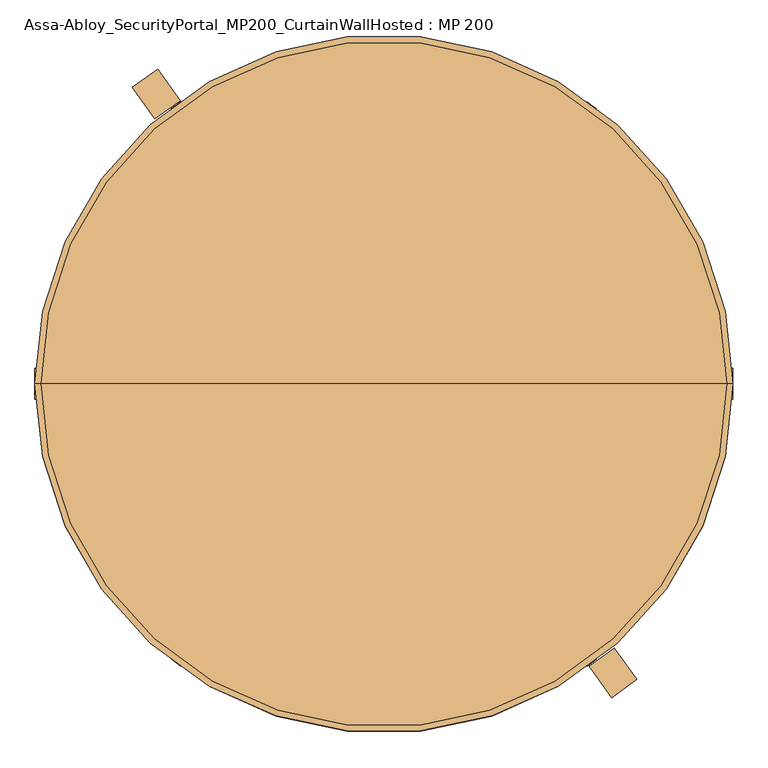
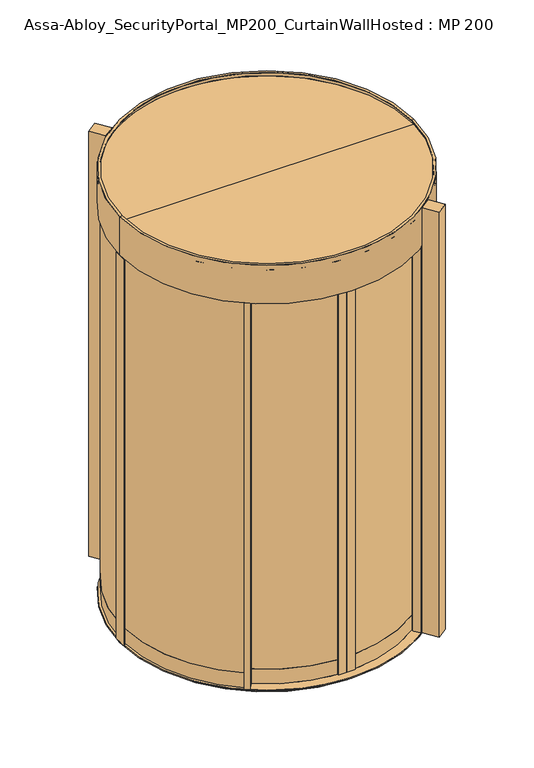
"""IFC4 building model written with IfcOpenShell, lengths in millimetres: door geometry, Assa-Abloy_SecurityPortal_MP200_CurtainWallHosted : MP 200."""

from ifc_helpers import new_model, si_unit, point, frame, origin, origin_with_axes, origin_2d, place, context, project, spatial, polyline, circle_curve, trimmed, segment, composite_curve, outline, extrude, source, transform, mapped, element, save
from ifc_brep_helpers import plane_surface, cylinder_surface, revolved_surface, advanced_brep


def assa_abloy_securityportal_mp200_curtainwallhosted_mp_200_ee6e5591(model_context):
    return source(origin(), model_context, "Body", "SolidModel", [
        extrude(outline(polyline([(587.7852523, -809.0169944), (529.0067271, -728.1152949), (593.7280866, -681.0924748), (652.5066118, -761.9941742), (587.7852523, -809.0169944)])), origin_with_axes(), (0.0, 0.0, 1.0), 2750.0),
        extrude(outline(polyline([(-583.8246464, 811.8797831), (-525.4421818, 730.6918048), (-590.3925644, 683.9858331), (-648.7750291, 765.1738114), (-583.8246464, 811.8797831)])), origin_with_axes(), (0.0, 0.0, 1.0), 2750.0),
        extrude(outline(polyline([(528.5181669, 683.5840473), (501.2059649, 645.6030803), (476.8495714, 663.1178197), (478.6010453, 665.553459), (490.7792421, 656.7960893), (504.7910336, 676.2812041), (492.6128369, 685.0385738), (494.3643108, 687.4742132), (508.9781469, 676.9653695), (518.7756095, 690.5899431), (528.5181669, 683.5840473)])), origin_with_axes(), (0.0, 0.0, 1.0), 2547.0),
        extrude(outline(polyline([(0.0, 816.55), (0.0, 826.4594958), (-3.0, 827.8584187), (-3.0, 829.2415813), (3.0, 832.0394272), (3.0, 837.651077), (0.0, 839.05), (0.0154349, 846.55), (28.0, 846.55), (28.0, 843.55), (13.0, 843.55), (13.0, 819.55), (28.0, 819.55), (28.0, 816.55), (0.0, 816.55)])), origin_with_axes(), (0.0, 0.0, 1.0), 2547.0),
        extrude(outline(composite_curve([segment(trimmed(circle_curve(origin_2d(), 831.85), [point((497.7537656, 666.4950197))], [point((13.0, 831.748413))], True, "CARTESIAN"), True, "CONTINUOUS"), segment(polyline([(13.0, 831.748413), (13.0, 842.0485471)]), True, "CONTINUOUS"), segment(trimmed(circle_curve(origin_2d(), 842.1488916), [point((13.0, 842.0485471))], [point((503.7674782, 674.8578247))], False, "CARTESIAN"), True, "CONTINUOUS"), segment(polyline([(503.7674782, 674.8578247), (497.7537656, 666.4950197)]), True, "CONTINUOUS")], self_intersect=False)), origin_with_axes(), (0.0, 0.0, 1.0), 95.0),
        extrude(outline(composite_curve([segment(trimmed(circle_curve(origin_2d(), 831.85), [point((497.7537656, 666.4950197))], [point((13.0, 831.748413))], True, "CARTESIAN"), True, "CONTINUOUS"), segment(polyline([(13.0, 831.748413), (13.0, 842.0485471)]), True, "CONTINUOUS"), segment(trimmed(circle_curve(origin_2d(), 842.1488916), [point((13.0, 842.0485471))], [point((503.7674782, 674.8578247))], False, "CARTESIAN"), True, "CONTINUOUS"), segment(polyline([(503.7674782, 674.8578247), (497.7537656, 666.4950197)]), True, "CONTINUOUS")], self_intersect=False)), frame((0.0, 0.0, 95.0), z_axis=(0.0, 0.0, 1.0), x_axis=(1.0, 0.0, 0.0)), (0.0, 0.0, 1.0), 2452.0),
        extrude(outline(polyline([(-528.5181669, 683.5840473), (-518.7756095, 690.5899431), (-508.9781469, 676.9653695), (-494.3643108, 687.4742132), (-492.6128369, 685.0385738), (-504.7910336, 676.2812041), (-490.7792421, 656.7960893), (-478.6010453, 665.553459), (-476.8495714, 663.1178197), (-501.2059649, 645.6030803), (-528.5181669, 683.5840473)])), origin_with_axes(), (0.0, 0.0, 1.0), 2547.0),
        extrude(outline(polyline([(0.0, 816.55), (-28.0, 816.55), (-28.0, 819.55), (-13.0, 819.55), (-13.0, 843.55), (-28.0, 843.55), (-28.0, 846.55), (-0.0154349, 846.55), (0.0, 839.05), (-3.0, 837.651077), (-3.0, 832.0394272), (3.0, 829.2415813), (3.0, 827.8584187), (0.0, 826.4594958), (0.0, 816.55)])), origin_with_axes(), (0.0, 0.0, 1.0), 2547.0),
        extrude(outline(composite_curve([segment(polyline([(-497.7537656, 666.4950197), (-503.7674782, 674.8578247)]), True, "CONTINUOUS"), segment(trimmed(circle_curve(origin_2d(), 842.1488916), [point((-503.7674782, 674.8578247))], [point((-13.0, 842.0485471))], False, "CARTESIAN"), True, "CONTINUOUS"), segment(polyline([(-13.0, 842.0485471), (-13.0, 831.748413)]), True, "CONTINUOUS"), segment(trimmed(circle_curve(origin_2d(), 831.85), [point((-13.0, 831.748413))], [point((-497.7537656, 666.4950197))], True, "CARTESIAN"), True, "CONTINUOUS")], self_intersect=False)), origin_with_axes(), (0.0, 0.0, 1.0), 95.0),
        extrude(outline(composite_curve([segment(polyline([(-497.7537656, 666.4950197), (-503.7674782, 674.8578247)]), True, "CONTINUOUS"), segment(trimmed(circle_curve(origin_2d(), 842.1488916), [point((-503.7674782, 674.8578247))], [point((-13.0, 842.0485471))], False, "CARTESIAN"), True, "CONTINUOUS"), segment(polyline([(-13.0, 842.0485471), (-13.0, 831.748413)]), True, "CONTINUOUS"), segment(trimmed(circle_curve(origin_2d(), 831.85), [point((-13.0, 831.748413))], [point((-497.7537656, 666.4950197))], True, "CARTESIAN"), True, "CONTINUOUS")], self_intersect=False)), frame((0.0, 0.0, 95.0), z_axis=(0.0, 0.0, 1.0), x_axis=(1.0, 0.0, 0.0)), (0.0, 0.0, 1.0), 2452.0),
        extrude(outline(polyline([(52.0000004, -845.5), (0.0, -845.5), (0.0, -835.5905042), (-3.0, -834.1915813), (-3.0, -832.8084187), (3.0, -830.0105728), (3.0, -824.398923), (0.0, -823.0), (0.0, -815.5), (52.0000004, -815.5), (52.0000004, -821.5), (36.0000004, -821.5), (36.0000004, -842.5), (52.0000004, -842.5), (52.0000004, -845.5)])), origin_with_axes(), (0.0, 0.0, 1.0), 2547.0),
        extrude(outline(polyline([(519.574717, -687.6414847), (515.3860402, -681.8465417), (509.4675597, -684.0112903), (506.1412656, -679.4094348), (496.2537657, -686.5562765), (494.4963456, -684.1249241), (506.6531077, -675.3378236), (494.3511671, -658.3183567), (482.1944049, -667.1054571), (478.6795647, -662.2427523), (503.1551792, -644.55139), (531.4913116, -683.7538122), (519.574717, -687.6414847)])), origin_with_axes(), (0.0, 0.0, 1.0), 2547.0),
        extrude(outline(composite_curve([segment(trimmed(circle_curve(origin_2d(), 830.5), [point((36.0000004, -829.7193803))], [point((498.5898647, -664.1825026))], True, "CARTESIAN"), True, "CONTINUOUS"), segment(polyline([(498.5898647, -664.1825026), (504.453894, -672.2952594)]), True, "CONTINUOUS"), segment(trimmed(circle_curve(origin_2d(), 840.5085645), [point((504.453894, -672.2952594))], [point((36.0000004, -839.7372488))], False, "CARTESIAN"), True, "CONTINUOUS"), segment(polyline([(36.0000004, -839.7372488), (36.0000004, -829.7193803)]), True, "CONTINUOUS")], self_intersect=False)), origin_with_axes(), (0.0, 0.0, 1.0), 95.0),
        extrude(outline(composite_curve([segment(trimmed(circle_curve(origin_2d(), 830.5), [point((36.0000004, -829.7193803))], [point((498.5898647, -664.1825026))], True, "CARTESIAN"), True, "CONTINUOUS"), segment(polyline([(498.5898647, -664.1825026), (504.453894, -672.2952594)]), True, "CONTINUOUS"), segment(trimmed(circle_curve(origin_2d(), 840.5085645), [point((504.453894, -672.2952594))], [point((36.0000004, -839.7372488))], False, "CARTESIAN"), True, "CONTINUOUS"), segment(polyline([(36.0000004, -839.7372488), (36.0000004, -829.7193803)]), True, "CONTINUOUS")], self_intersect=False)), frame((0.0, 0.0, 95.0), z_axis=(0.0, 0.0, 1.0), x_axis=(1.0, 0.0, 0.0)), (0.0, 0.0, 1.0), 2452.0),
        extrude(outline(polyline([(-52.0000004, -845.5), (-52.0000004, -842.5), (-36.0000004, -842.5), (-36.0000004, -821.5), (-52.0000004, -821.5), (-52.0000004, -815.5), (0.0, -815.5), (0.0, -823.0), (-3.0, -824.398923), (-3.0, -830.0105728), (3.0, -832.8084187), (3.0, -834.1915813), (0.0, -835.5905042), (0.0, -845.5), (-52.0000004, -845.5)])), origin_with_axes(), (0.0, 0.0, 1.0), 2547.0),
        extrude(outline(polyline([(-517.1712348, -689.4509496), (-529.1013274, -685.6048974), (-500.9022095, -646.3038025), (-476.3649899, -663.9096212), (-479.8628346, -668.7845655), (-492.0501954, -660.0399536), (-504.2926521, -677.1022586), (-492.1052913, -685.8468706), (-493.8542137, -688.2843427), (-503.7666005, -681.1720584), (-507.0768108, -685.7854967), (-513.0028117, -683.6414206), (-517.1712348, -689.4509496)])), origin_with_axes(), (0.0, 0.0, 1.0), 2547.0),
        extrude(outline(composite_curve([segment(polyline([(-36.0000004, -829.7193803), (-36.0000004, -839.7120971)]), True, "CONTINUOUS"), segment(trimmed(circle_curve(origin_2d(), 840.4834359), [point((-36.0000004, -839.7120971))], [point((-502.0894207, -674.0316162))], False, "CARTESIAN"), True, "CONTINUOUS"), segment(polyline([(-502.0894207, -674.0316162), (-496.2683976, -665.9188596)]), True, "CONTINUOUS"), segment(trimmed(circle_curve(origin_2d(), 830.5), [point((-496.2683976, -665.9188596))], [point((-36.0000004, -829.7193803))], True, "CARTESIAN"), True, "CONTINUOUS")], self_intersect=False)), origin_with_axes(), (0.0, 0.0, 1.0), 95.0),
        extrude(outline(composite_curve([segment(polyline([(-36.0000004, -829.7193803), (-36.0000004, -839.7120971)]), True, "CONTINUOUS"), segment(trimmed(circle_curve(origin_2d(), 840.4834359), [point((-36.0000004, -839.7120971))], [point((-502.0894207, -674.0316162))], False, "CARTESIAN"), True, "CONTINUOUS"), segment(polyline([(-502.0894207, -674.0316162), (-496.2683976, -665.9188596)]), True, "CONTINUOUS"), segment(trimmed(circle_curve(origin_2d(), 830.5), [point((-496.2683976, -665.9188596))], [point((-36.0000004, -829.7193803))], True, "CARTESIAN"), True, "CONTINUOUS")], self_intersect=False)), frame((0.0, 0.0, 95.0), z_axis=(0.0, 0.0, 1.0), x_axis=(1.0, 0.0, 0.0)), (0.0, 0.0, 1.0), 2452.0),
        extrude(outline(polyline([(-524.0579552, -728.554429), (-547.4074128, -710.5664329), (-543.7457122, -705.8133341), (-531.8629651, -714.9675856), (-519.047013, -698.3317396), (-530.9297601, -689.1774881), (-529.0989098, -686.8009387), (-520.0087487, -693.8038329), (-516.5418051, -689.3035399), (-509.8115964, -691.7097246), (-505.6037219, -686.2476606), (-494.5378553, -690.2356345), (-524.0579552, -728.554429)])), origin_with_axes(), (0.0, 0.0, 1.0), 2500.0),
        extrude(outline(polyline([(-546.166091, 707.7830819), (-547.917565, 710.2187212), (-523.3987955, 727.8502256), (-495.9590371, 689.6918758), (-510.3340805, 679.3547485), (-511.6768772, 681.222072), (-499.7374732, 689.8077253), (-506.7433689, 699.5502827), (-528.826499, 683.6702523), (-532.1542995, 688.2979671), (-519.9761028, 697.0553368), (-533.9878943, 716.5404516), (-546.166091, 707.7830819)])), origin_with_axes(), (0.0, 0.0, 1.0), 2500.0),
        extrude(outline(polyline([(-862.0, 40.0), (-862.0, -40.0), (-869.0, -40.0), (-869.0, -23.6246718), (-893.0, -23.6246718), (-893.0, -40.0), (-900.0, -40.0), (-900.0, 40.0), (-893.0, 40.0), (-893.0, 23.6246718), (-869.0, 23.6246718), (-869.0, 40.0), (-862.0, 40.0)])), origin_with_axes(), (0.0, 0.0, 1.0), 2500.0),
        extrude(outline(composite_curve([segment(trimmed(circle_curve(origin_2d(), 873.4), [point((-522.1757936, 700.1142768))], [point((-873.0804286, 23.6246718))], True, "CARTESIAN"), True, "CONTINUOUS"), segment(polyline([(-873.0804286, 23.6246718), (-883.3841562, 23.6246718)]), True, "CONTINUOUS"), segment(trimmed(circle_curve(origin_2d(), 883.7000014), [point((-883.3841562, 23.6246718))], [point((-528.1900886, 708.4778916))], False, "CARTESIAN"), True, "CONTINUOUS"), segment(polyline([(-528.1900886, 708.4778916), (-522.1757936, 700.1142768)]), True, "CONTINUOUS")], self_intersect=False)), frame((0.0, 0.0, 95.0), z_axis=(0.0, 0.0, 1.0), x_axis=(1.0, 0.0, 0.0)), (0.0, 0.0, 1.0), 2405.0),
        extrude(outline(composite_curve([segment(polyline([(-521.0601907, -700.9449605), (-527.3470273, -709.1056375)]), True, "CONTINUOUS"), segment(trimmed(circle_curve(origin_2d(), 883.7000014), [point((-527.3470273, -709.1056375))], [point((-883.3841561, -23.6246718))], False, "CARTESIAN"), True, "CONTINUOUS"), segment(polyline([(-883.3841561, -23.6246718), (-873.0804286, -23.6246718)]), True, "CONTINUOUS"), segment(trimmed(circle_curve(origin_2d(), 873.4), [point((-873.0804286, -23.6246718))], [point((-521.0601907, -700.9449605))], True, "CARTESIAN"), True, "CONTINUOUS")], self_intersect=False)), frame((0.0, 0.0, 95.0), z_axis=(0.0, 0.0, 1.0), x_axis=(1.0, 0.0, 0.0)), (0.0, 0.0, 1.0), 2405.0),
        extrude(outline(composite_curve([segment(trimmed(circle_curve(origin_2d(), 873.4), [point((-522.1757936, 700.1142768))], [point((-873.0804286, 23.6246718))], True, "CARTESIAN"), True, "CONTINUOUS"), segment(polyline([(-873.0804286, 23.6246718), (-883.3841562, 23.6246718)]), True, "CONTINUOUS"), segment(trimmed(circle_curve(origin_2d(), 883.7000014), [point((-883.3841562, 23.6246718))], [point((-528.1900886, 708.4778916))], False, "CARTESIAN"), True, "CONTINUOUS"), segment(polyline([(-528.1900886, 708.4778916), (-522.1757936, 700.1142768)]), True, "CONTINUOUS")], self_intersect=False)), origin_with_axes(), (0.0, 0.0, 1.0), 95.0),
        extrude(outline(composite_curve([segment(polyline([(-521.0601907, -700.9449605), (-527.3470286, -709.1056392)]), True, "CONTINUOUS"), segment(trimmed(circle_curve(origin_2d(), 883.7000034), [point((-527.3470286, -709.1056392))], [point((-883.3841582, -23.6246718))], False, "CARTESIAN"), True, "CONTINUOUS"), segment(polyline([(-883.3841582, -23.6246718), (-873.0804286, -23.6246718)]), True, "CONTINUOUS"), segment(trimmed(circle_curve(origin_2d(), 873.4), [point((-873.0804286, -23.6246718))], [point((-521.0601907, -700.9449605))], True, "CARTESIAN"), True, "CONTINUOUS")], self_intersect=False)), origin_with_axes(), (0.0, 0.0, 1.0), 95.0),
        extrude(outline(polyline([(524.0579552, -728.554429), (494.5378553, -690.2356345), (505.6037219, -686.2476606), (509.8115964, -691.7097246), (516.5418051, -689.3035399), (520.0087487, -693.8038329), (529.0989098, -686.8009387), (530.9297601, -689.1774881), (519.047013, -698.3317396), (531.8629651, -714.9675856), (543.7457122, -705.8133341), (547.4074128, -710.5664329), (524.0579552, -728.554429)])), origin_with_axes(), (0.0, 0.0, 1.0), 2500.0),
        extrude(outline(polyline([(546.166091, 707.7830819), (533.9878943, 716.5404516), (519.9761028, 697.0553368), (532.1542995, 688.2979671), (528.826499, 683.6702523), (506.7433689, 699.5502827), (499.7374732, 689.8077253), (511.6768772, 681.222072), (510.3340805, 679.3547485), (495.9590371, 689.6918758), (523.3987955, 727.8502256), (547.917565, 710.2187212), (546.166091, 707.7830819)])), origin_with_axes(), (0.0, 0.0, 1.0), 2500.0),
        extrude(outline(polyline([(862.0, 40.0), (869.0, 40.0), (869.0, 23.6246718), (893.0, 23.6246718), (893.0, 40.0), (900.0, 40.0), (900.0, -40.0), (893.0, -40.0), (893.0, -23.6246718), (869.0, -23.6246718), (869.0, -40.0), (862.0, -40.0), (862.0, 40.0)])), origin_with_axes(), (0.0, 0.0, 1.0), 2500.0),
        extrude(outline(composite_curve([segment(polyline([(522.1757936, 700.1142768), (528.1900886, 708.4778916)]), True, "CONTINUOUS"), segment(trimmed(circle_curve(origin_2d(), 883.7000014), [point((528.1900886, 708.4778916))], [point((883.3841562, 23.6246718))], False, "CARTESIAN"), True, "CONTINUOUS"), segment(polyline([(883.3841562, 23.6246718), (873.0804286, 23.6246718)]), True, "CONTINUOUS"), segment(trimmed(circle_curve(origin_2d(), 873.4), [point((873.0804286, 23.6246718))], [point((522.1757936, 700.1142768))], True, "CARTESIAN"), True, "CONTINUOUS")], self_intersect=False)), frame((0.0, 0.0, 95.0), z_axis=(0.0, 0.0, 1.0), x_axis=(1.0, 0.0, 0.0)), (0.0, 0.0, 1.0), 2405.0),
        extrude(outline(composite_curve([segment(trimmed(circle_curve(origin_2d(), 873.4), [point((521.0601907, -700.9449605))], [point((873.0804286, -23.6246718))], True, "CARTESIAN"), True, "CONTINUOUS"), segment(polyline([(873.0804286, -23.6246718), (883.3841561, -23.6246718)]), True, "CONTINUOUS"), segment(trimmed(circle_curve(origin_2d(), 883.7000014), [point((883.3841561, -23.6246718))], [point((527.3470273, -709.1056375))], False, "CARTESIAN"), True, "CONTINUOUS"), segment(polyline([(527.3470273, -709.1056375), (521.0601907, -700.9449605)]), True, "CONTINUOUS")], self_intersect=False)), frame((0.0, 0.0, 95.0), z_axis=(0.0, 0.0, 1.0), x_axis=(1.0, 0.0, 0.0)), (0.0, 0.0, 1.0), 2405.0),
        extrude(outline(composite_curve([segment(polyline([(522.1757936, 700.1142768), (528.1900886, 708.4778916)]), True, "CONTINUOUS"), segment(trimmed(circle_curve(origin_2d(), 883.7000014), [point((528.1900886, 708.4778916))], [point((883.3841562, 23.6246718))], False, "CARTESIAN"), True, "CONTINUOUS"), segment(polyline([(883.3841562, 23.6246718), (873.0804286, 23.6246718)]), True, "CONTINUOUS"), segment(trimmed(circle_curve(origin_2d(), 873.4), [point((873.0804286, 23.6246718))], [point((522.1757936, 700.1142768))], True, "CARTESIAN"), True, "CONTINUOUS")], self_intersect=False)), origin_with_axes(), (0.0, 0.0, 1.0), 95.0),
        extrude(outline(composite_curve([segment(trimmed(circle_curve(origin_2d(), 873.4), [point((521.0601907, -700.9449605))], [point((873.0804286, -23.6246718))], True, "CARTESIAN"), True, "CONTINUOUS"), segment(polyline([(873.0804286, -23.6246718), (883.3841582, -23.6246718)]), True, "CONTINUOUS"), segment(trimmed(circle_curve(origin_2d(), 883.7000034), [point((883.3841582, -23.6246718))], [point((527.3470286, -709.1056392))], False, "CARTESIAN"), True, "CONTINUOUS"), segment(polyline([(527.3470286, -709.1056392), (521.0601907, -700.9449605)]), True, "CONTINUOUS")], self_intersect=False)), origin_with_axes(), (0.0, 0.0, 1.0), 95.0),
        advanced_brep(
        [(900.0, 0.0, -5.0), (-900.0, 0.0, -5.0), (-849.9985224, 0.0, -5.0), (849.9985224, 0.0, -5.0), (900.0, 0.0, 0.0), (-900.0, 0.0, 0.0), (839.923369, 0.0, 0.0), (-839.923369, 0.0, 0.0), (839.923369, 0.0, -8.0), (-839.923369, 0.0, -8.0), (821.9976165, 0.0, -8.0), (-821.9976165, 0.0, -8.0), (821.9976165, 0.0, 0.0), (-821.9976165, 0.0, 0.0), (817.9206321, 0.0, 0.0), (-817.9206321, 0.0, 0.0), (817.9206321, 0.0, -40.0), (-817.9206321, 0.0, -40.0), (812.9199894, 0.0, -40.0), (-812.9199894, 0.0, -40.0), (812.9199894, 0.0, -45.0), (-812.9199894, 0.0, -45.0), (849.9985224, 0.0, -45.0), (-849.9985224, 0.0, -45.0)],
        [
            (0, 1, circle_curve(frame((0.0, 0.0, -5.0), z_axis=(0.0, 0.0, -1.0), x_axis=(-1.0, 0.0, 0.0)), 900.0)),
            (1, 2),
            (2, 3, circle_curve(frame((0.0, 0.0, -5.0), z_axis=(0.0, 0.0, 1.0), x_axis=(-1.0, 0.0, 0.0)), 849.9985224)),
            (3, 0),
            (1, 0, circle_curve(frame((0.0, 0.0, -5.0), z_axis=(0.0, 0.0, -1.0), x_axis=(-1.0, 0.0, 0.0)), 900.0)),
            (3, 2, circle_curve(frame((0.0, 0.0, -5.0), z_axis=(0.0, 0.0, 1.0), x_axis=(-1.0, 0.0, 0.0)), 849.9985224)),
            (4, 5, circle_curve(frame((0.0, 0.0, 0.0), z_axis=(0.0, 0.0, -1.0), x_axis=(-1.0, 0.0, 0.0)), 900.0)),
            (5, 1),
            (0, 4),
            (5, 4, circle_curve(frame((0.0, 0.0, 0.0), z_axis=(0.0, 0.0, -1.0), x_axis=(-1.0, 0.0, 0.0)), 900.0)),
            (6, 7, circle_curve(frame((0.0, 0.0, 0.0), z_axis=(0.0, 0.0, -1.0), x_axis=(-1.0, 0.0, 0.0)), 839.923369)),
            (7, 5),
            (4, 6),
            (7, 6, circle_curve(frame((0.0, 0.0, 0.0), z_axis=(0.0, 0.0, -1.0), x_axis=(-1.0, 0.0, 0.0)), 839.923369)),
            (8, 9, circle_curve(frame((0.0, 0.0, -8.0), z_axis=(0.0, 0.0, -1.0), x_axis=(-1.0, 0.0, 0.0)), 839.923369)),
            (9, 7),
            (6, 8),
            (9, 8, circle_curve(frame((0.0, 0.0, -8.0), z_axis=(0.0, 0.0, -1.0), x_axis=(-1.0, 0.0, 0.0)), 839.923369)),
            (10, 11, circle_curve(frame((0.0, 0.0, -8.0), z_axis=(0.0, 0.0, -1.0), x_axis=(-1.0, 0.0, 0.0)), 821.9976165)),
            (11, 9),
            (8, 10),
            (11, 10, circle_curve(frame((0.0, 0.0, -8.0), z_axis=(0.0, 0.0, -1.0), x_axis=(-1.0, 0.0, 0.0)), 821.9976165)),
            (12, 13, circle_curve(frame((0.0, 0.0, 0.0), z_axis=(0.0, 0.0, -1.0), x_axis=(-1.0, 0.0, 0.0)), 821.9976165)),
            (13, 11),
            (10, 12),
            (13, 12, circle_curve(frame((0.0, 0.0, 0.0), z_axis=(0.0, 0.0, -1.0), x_axis=(-1.0, 0.0, 0.0)), 821.9976165)),
            (14, 15, circle_curve(frame((0.0, 0.0, 0.0), z_axis=(0.0, 0.0, -1.0), x_axis=(-1.0, 0.0, 0.0)), 817.9206321)),
            (15, 13),
            (12, 14),
            (15, 14, circle_curve(frame((0.0, 0.0, 0.0), z_axis=(0.0, 0.0, -1.0), x_axis=(-1.0, 0.0, 0.0)), 817.9206321)),
            (16, 17, circle_curve(frame((0.0, 0.0, -40.0), z_axis=(0.0, 0.0, -1.0), x_axis=(-1.0, 0.0, 0.0)), 817.9206321)),
            (17, 15),
            (14, 16),
            (17, 16, circle_curve(frame((0.0, 0.0, -40.0), z_axis=(0.0, 0.0, -1.0), x_axis=(-1.0, 0.0, 0.0)), 817.9206321)),
            (18, 19, circle_curve(frame((0.0, 0.0, -40.0), z_axis=(0.0, 0.0, -1.0), x_axis=(-1.0, 0.0, 0.0)), 812.9199894)),
            (19, 17),
            (16, 18),
            (19, 18, circle_curve(frame((0.0, 0.0, -40.0), z_axis=(0.0, 0.0, -1.0), x_axis=(-1.0, 0.0, 0.0)), 812.9199894)),
            (20, 21, circle_curve(frame((0.0, 0.0, -45.0), z_axis=(0.0, 0.0, -1.0), x_axis=(-1.0, 0.0, 0.0)), 812.9199894)),
            (21, 19),
            (18, 20),
            (21, 20, circle_curve(frame((0.0, 0.0, -45.0), z_axis=(0.0, 0.0, -1.0), x_axis=(-1.0, 0.0, 0.0)), 812.9199894)),
            (22, 23, circle_curve(frame((0.0, 0.0, -45.0), z_axis=(0.0, 0.0, -1.0), x_axis=(-1.0, 0.0, 0.0)), 849.9985224)),
            (23, 21),
            (20, 22),
            (23, 22, circle_curve(frame((0.0, 0.0, -45.0), z_axis=(0.0, 0.0, -1.0), x_axis=(-1.0, 0.0, 0.0)), 849.9985224)),
            (2, 23),
            (22, 3),
        ],
        [
            plane_surface(frame((0.0, 0.0, -5.0), z_axis=(0.0, 0.0, -1.0), x_axis=(-1.0, 0.0, 0.0))),
            cylinder_surface(frame((0.0, 0.0, 300.0), z_axis=(0.0, 0.0, 1.0), x_axis=(-1.0, 0.0, 0.0)), 900.0),
            plane_surface(frame((0.0, 0.0, 0.0), z_axis=(0.0, 0.0, 1.0), x_axis=(-1.0, 0.0, 0.0))),
            revolved_surface(polyline([(-839.923369, 0.0, 0.0), (-839.923369, 0.0, -8.0)]), (0.0, 0.0, 300.0), (0.0, 0.0, 1.0)),
            plane_surface(frame((0.0, 0.0, -8.0), z_axis=(0.0, 0.0, 1.0), x_axis=(-1.0, 0.0, 0.0))),
            cylinder_surface(frame((0.0, 0.0, 300.0), z_axis=(0.0, 0.0, 1.0), x_axis=(-1.0, 0.0, 0.0)), 821.9976165),
            revolved_surface(polyline([(-817.9206321, 0.0, 0.0), (-817.9206321, 0.0, -40.0)]), (0.0, 0.0, 300.0), (0.0, 0.0, 1.0)),
            plane_surface(frame((0.0, 0.0, -40.0), z_axis=(0.0, 0.0, 1.0), x_axis=(-1.0, 0.0, 0.0))),
            revolved_surface(polyline([(-812.9199894, 0.0, -40.0), (-812.9199894, 0.0, -45.0)]), (0.0, 0.0, 300.0), (0.0, 0.0, 1.0)),
            plane_surface(frame((0.0, 0.0, -45.0), z_axis=(0.0, 0.0, -1.0), x_axis=(-1.0, 0.0, 0.0))),
            cylinder_surface(frame((0.0, 0.0, 300.0), z_axis=(0.0, 0.0, 1.0), x_axis=(-1.0, 0.0, 0.0)), 849.9985224),
        ],
        [
            (0, [[1, 2, 3, 4]]),
            (0, [[5, -4, 6, -2]]),
            (1, [[7, 8, -1, 9]]),
            (1, [[10, -9, -5, -8]]),
            (2, [[11, 12, -7, 13]]),
            (2, [[14, -13, -10, -12]]),
            (3, [[15, 16, -11, 17]]),
            (3, [[18, -17, -14, -16]]),
            (4, [[19, 20, -15, 21]]),
            (4, [[22, -21, -18, -20]]),
            (5, [[23, 24, -19, 25]]),
            (5, [[26, -25, -22, -24]]),
            (2, [[27, 28, -23, 29]]),
            (2, [[30, -29, -26, -28]]),
            (6, [[31, 32, -27, 33]]),
            (6, [[34, -33, -30, -32]]),
            (7, [[35, 36, -31, 37]]),
            (7, [[38, -37, -34, -36]]),
            (8, [[39, 40, -35, 41]]),
            (8, [[42, -41, -38, -40]]),
            (9, [[43, 44, -39, 45]]),
            (9, [[46, -45, -42, -44]]),
            (10, [[-3, 47, -43, 48]]),
            (10, [[-6, -48, -46, -47]]),
        ],
    ),
        advanced_brep(
        [(0.0, 0.0, -45.0), (810.0199894, 0.0, -45.0), (-810.0199894, 0.0, -45.0), (-814.0201266, 0.0, -2.0), (814.0201266, 0.0, -2.0), (0.0, 0.0, -2.0), (-814.0201266, 0.0, -22.0), (814.0201266, 0.0, -22.0), (-810.0199894, 0.0, -22.0), (810.0199894, 0.0, -22.0)],
        [
            (0, 1),
            (1, 2, circle_curve(frame((0.0, 0.0, -45.0), z_axis=(0.0, 0.0, -1.0), x_axis=(1.0, 0.0, 0.0)), 810.0199894)),
            (2, 0),
            (2, 1, circle_curve(frame((0.0, 0.0, -45.0), z_axis=(0.0, 0.0, -1.0), x_axis=(1.0, 0.0, 0.0)), 810.0199894)),
            (3, 4, circle_curve(frame((0.0, 0.0, -2.0), z_axis=(0.0, 0.0, 1.0), x_axis=(1.0, 0.0, 0.0)), 814.0201266)),
            (4, 5),
            (5, 3),
            (4, 3, circle_curve(frame((0.0, 0.0, -2.0), z_axis=(0.0, 0.0, 1.0), x_axis=(1.0, 0.0, 0.0)), 814.0201266)),
            (6, 7, circle_curve(frame((0.0, 0.0, -22.0), z_axis=(0.0, 0.0, 1.0), x_axis=(1.0, 0.0, 0.0)), 814.0201266)),
            (7, 4),
            (3, 6),
            (7, 6, circle_curve(frame((0.0, 0.0, -22.0), z_axis=(0.0, 0.0, 1.0), x_axis=(1.0, 0.0, 0.0)), 814.0201266)),
            (8, 9, circle_curve(frame((0.0, 0.0, -22.0), z_axis=(0.0, 0.0, 1.0), x_axis=(1.0, 0.0, 0.0)), 810.0199894)),
            (9, 7),
            (6, 8),
            (9, 8, circle_curve(frame((0.0, 0.0, -22.0), z_axis=(0.0, 0.0, 1.0), x_axis=(1.0, 0.0, 0.0)), 810.0199894)),
            (1, 9),
            (8, 2),
        ],
        [
            plane_surface(frame((0.0, 0.0, -45.0), z_axis=(0.0, 0.0, -1.0), x_axis=(1.0, 0.0, 0.0))),
            plane_surface(frame((0.0, 0.0, -2.0), z_axis=(0.0, 0.0, 1.0), x_axis=(1.0, 0.0, 0.0))),
            cylinder_surface(frame((0.0, 0.0, 2713.5631562), z_axis=(0.0, 0.0, -1.0), x_axis=(1.0, 0.0, 0.0)), 814.0201266),
            plane_surface(frame((0.0, 0.0, -22.0), z_axis=(0.0, 0.0, -1.0), x_axis=(1.0, 0.0, 0.0))),
            cylinder_surface(frame((0.0, 0.0, 2713.5631562), z_axis=(0.0, 0.0, -1.0), x_axis=(1.0, 0.0, 0.0)), 810.0199894),
        ],
        [
            (0, [[1, 2, 3]]),
            (0, [[-3, 4, -1]]),
            (1, [[5, 6, 7]]),
            (1, [[8, -7, -6]]),
            (2, [[9, 10, -5, 11]]),
            (2, [[12, -11, -8, -10]]),
            (3, [[13, 14, -9, 15]]),
            (3, [[16, -15, -12, -14]]),
            (4, [[-2, 17, -13, 18]]),
            (4, [[-4, -18, -16, -17]]),
        ],
    ),
        advanced_brep(
        [(0.0, 0.0, 2718.5), (-897.9997885, 0.0, 2718.5), (897.9997885, 0.0, 2718.5), (805.0668827, 0.0, 2502.316975), (-805.0668827, 0.0, 2502.316975), (0.0, 0.0, 2502.316975), (805.0668827, 0.0, 2549.816975), (-805.0668827, 0.0, 2549.816975), (849.9944132, 0.0, 2549.816975), (-849.9944132, 0.0, 2549.816975), (849.9944132, 0.0, 2500.0), (-849.9944132, 0.0, 2500.0), (900.0, 0.0, 2500.0), (-900.0, 0.0, 2500.0), (900.0, 0.0, 2750.0), (-900.0, 0.0, 2750.0), (884.7983684, 0.0, 2750.0), (-884.7983684, 0.0, 2750.0), (884.7983684, 0.0, 2747.0), (-884.7983684, 0.0, 2747.0), (897.9997885, 0.0, 2747.0), (-897.9997885, 0.0, 2747.0)],
        [
            (0, 1),
            (1, 2, circle_curve(frame((0.0, 0.0, 2718.5), z_axis=(0.0, 0.0, 1.0), x_axis=(-1.0, 0.0, 0.0)), 897.9997885)),
            (2, 0),
            (2, 1, circle_curve(frame((0.0, 0.0, 2718.5), z_axis=(0.0, 0.0, 1.0), x_axis=(-1.0, 0.0, 0.0)), 897.9997885)),
            (3, 4, circle_curve(frame((0.0, 0.0, 2502.316975), z_axis=(0.0, 0.0, -1.0), x_axis=(-1.0, 0.0, 0.0)), 805.0668827)),
            (4, 5),
            (5, 3),
            (4, 3, circle_curve(frame((0.0, 0.0, 2502.316975), z_axis=(0.0, 0.0, -1.0), x_axis=(-1.0, 0.0, 0.0)), 805.0668827)),
            (6, 7, circle_curve(frame((0.0, 0.0, 2549.816975), z_axis=(0.0, 0.0, -1.0), x_axis=(-1.0, 0.0, 0.0)), 805.0668827)),
            (7, 4),
            (3, 6),
            (7, 6, circle_curve(frame((0.0, 0.0, 2549.816975), z_axis=(0.0, 0.0, -1.0), x_axis=(-1.0, 0.0, 0.0)), 805.0668827)),
            (8, 9, circle_curve(frame((0.0, 0.0, 2549.816975), z_axis=(0.0, 0.0, -1.0), x_axis=(-1.0, 0.0, 0.0)), 849.9944132)),
            (9, 7),
            (6, 8),
            (9, 8, circle_curve(frame((0.0, 0.0, 2549.816975), z_axis=(0.0, 0.0, -1.0), x_axis=(-1.0, 0.0, 0.0)), 849.9944132)),
            (10, 11, circle_curve(frame((0.0, 0.0, 2500.0), z_axis=(0.0, 0.0, -1.0), x_axis=(-1.0, 0.0, 0.0)), 849.9944132)),
            (11, 9),
            (8, 10),
            (11, 10, circle_curve(frame((0.0, 0.0, 2500.0), z_axis=(0.0, 0.0, -1.0), x_axis=(-1.0, 0.0, 0.0)), 849.9944132)),
            (12, 13, circle_curve(frame((0.0, 0.0, 2500.0), z_axis=(0.0, 0.0, -1.0), x_axis=(-1.0, 0.0, 0.0)), 900.0)),
            (13, 11),
            (10, 12),
            (13, 12, circle_curve(frame((0.0, 0.0, 2500.0), z_axis=(0.0, 0.0, -1.0), x_axis=(-1.0, 0.0, 0.0)), 900.0)),
            (14, 15, circle_curve(frame((0.0, 0.0, 2750.0), z_axis=(0.0, 0.0, -1.0), x_axis=(-1.0, 0.0, 0.0)), 900.0)),
            (15, 13),
            (12, 14),
            (15, 14, circle_curve(frame((0.0, 0.0, 2750.0), z_axis=(0.0, 0.0, -1.0), x_axis=(-1.0, 0.0, 0.0)), 900.0)),
            (16, 17, circle_curve(frame((0.0, 0.0, 2750.0), z_axis=(0.0, 0.0, -1.0), x_axis=(-1.0, 0.0, 0.0)), 884.7983684)),
            (17, 15),
            (14, 16),
            (17, 16, circle_curve(frame((0.0, 0.0, 2750.0), z_axis=(0.0, 0.0, -1.0), x_axis=(-1.0, 0.0, 0.0)), 884.7983684)),
            (18, 19, circle_curve(frame((0.0, 0.0, 2747.0), z_axis=(0.0, 0.0, -1.0), x_axis=(-1.0, 0.0, 0.0)), 884.7983684)),
            (19, 17),
            (16, 18),
            (19, 18, circle_curve(frame((0.0, 0.0, 2747.0), z_axis=(0.0, 0.0, -1.0), x_axis=(-1.0, 0.0, 0.0)), 884.7983684)),
            (20, 21, circle_curve(frame((0.0, 0.0, 2747.0), z_axis=(0.0, 0.0, -1.0), x_axis=(-1.0, 0.0, 0.0)), 897.9997885)),
            (21, 19),
            (18, 20),
            (21, 20, circle_curve(frame((0.0, 0.0, 2747.0), z_axis=(0.0, 0.0, -1.0), x_axis=(-1.0, 0.0, 0.0)), 897.9997885)),
            (1, 21),
            (20, 2),
        ],
        [
            plane_surface(frame((0.0, 0.0, 2718.5), z_axis=(0.0, 0.0, 1.0), x_axis=(-1.0, 0.0, 0.0))),
            plane_surface(frame((0.0, 0.0, 2502.316975), z_axis=(0.0, 0.0, -1.0), x_axis=(-1.0, 0.0, 0.0))),
            cylinder_surface(frame((0.0, 0.0, 3513.5631562), z_axis=(0.0, 0.0, 1.0), x_axis=(-1.0, 0.0, 0.0)), 805.0668827),
            plane_surface(frame((0.0, 0.0, 2549.816975), z_axis=(0.0, 0.0, -1.0), x_axis=(-1.0, 0.0, 0.0))),
            revolved_surface(polyline([(-849.9944132, 0.0, 2549.816975), (-849.9944132, 0.0, 2500.0)]), (0.0, 0.0, 3513.5631562), (0.0, 0.0, 1.0)),
            plane_surface(frame((0.0, 0.0, 2500.0), z_axis=(0.0, 0.0, -1.0), x_axis=(-1.0, 0.0, 0.0))),
            cylinder_surface(frame((0.0, 0.0, 3513.5631562), z_axis=(0.0, 0.0, 1.0), x_axis=(-1.0, 0.0, 0.0)), 900.0),
            plane_surface(frame((0.0, 0.0, 2750.0), z_axis=(0.0, 0.0, 1.0), x_axis=(-1.0, 0.0, 0.0))),
            revolved_surface(polyline([(-884.7983684, 0.0, 2750.0), (-884.7983684, 0.0, 2747.0)]), (0.0, 0.0, 3513.5631562), (0.0, 0.0, 1.0)),
            plane_surface(frame((0.0, 0.0, 2747.0), z_axis=(0.0, 0.0, -1.0), x_axis=(-1.0, 0.0, 0.0))),
            revolved_surface(polyline([(-897.9997885, 0.0, 2747.0), (-897.9997885, 0.0, 2718.5)]), (0.0, 0.0, 3513.5631562), (0.0, 0.0, 1.0)),
        ],
        [
            (0, [[1, 2, 3]]),
            (0, [[-3, 4, -1]]),
            (1, [[5, 6, 7]]),
            (1, [[8, -7, -6]]),
            (2, [[9, 10, -5, 11]]),
            (2, [[12, -11, -8, -10]]),
            (3, [[13, 14, -9, 15]]),
            (3, [[16, -15, -12, -14]]),
            (4, [[17, 18, -13, 19]]),
            (4, [[20, -19, -16, -18]]),
            (5, [[21, 22, -17, 23]]),
            (5, [[24, -23, -20, -22]]),
            (6, [[25, 26, -21, 27]]),
            (6, [[28, -27, -24, -26]]),
            (7, [[29, 30, -25, 31]]),
            (7, [[32, -31, -28, -30]]),
            (8, [[33, 34, -29, 35]]),
            (8, [[36, -35, -32, -34]]),
            (9, [[37, 38, -33, 39]]),
            (9, [[40, -39, -36, -38]]),
            (10, [[-2, 41, -37, 42]]),
            (10, [[-4, -42, -40, -41]]),
        ],
    ),
    ])


if __name__ == "__main__":
    model = new_model("IFC4")
    model_context = context("Model", 3, world=origin())
    ifc_project = project(units=[si_unit("LENGTHUNIT", "METRE", prefix="MILLI")], contexts=[model_context])
    site = spatial("IfcSite", under=ifc_project)
    building = spatial("IfcBuilding", under=site)
    placement = place(None, origin())
    assa_abloy_securityportal_mp200_curtainwallhosted_mp_200_shape = assa_abloy_securityportal_mp200_curtainwallhosted_mp_200_ee6e5591(model_context)
    element("IfcDoor", 1, ObjectType="Assa-Abloy_SecurityPortal_MP200_CurtainWallHosted : MP 200", at=placement, inside=building, context=model_context, shape_type="MappedRepresentation", body=[
        mapped(assa_abloy_securityportal_mp200_curtainwallhosted_mp_200_shape, transform((0.0, 0.0, 0.0), x_axis=(1.0, 0.0, 0.0), y_axis=(0.0, 1.0, 0.0), z_axis=(0.0, 0.0, 1.0))),
    ])
    save(model, "model.ifc")
